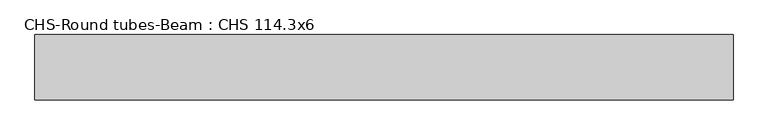
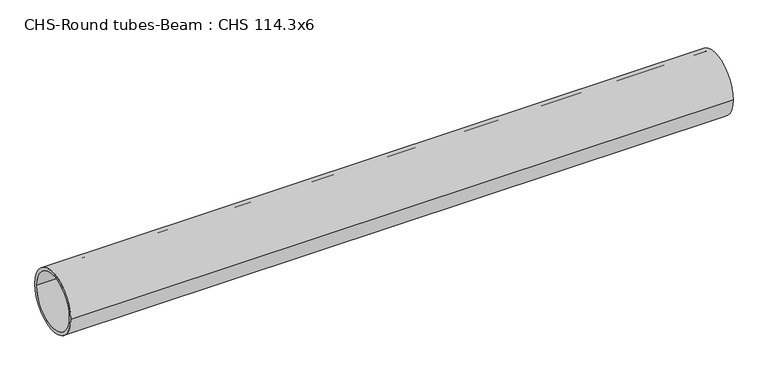
"""IFC4 building model written with IfcOpenShell, lengths in millimetres: beam geometry, CHS-Round tubes-Beam : CHS 114.3x6."""

import ifcopenshell
import ifcopenshell.guid

model = None  # the IFC model being written
_history = None  # IfcOwnerHistory: only IFC2X3 demands one
_inside = {}  # id of a spatial element -> (the spatial element, [elements in it])
_under = {}  # id of a project, library or spatial element -> (it, [spatial elements below it])
_declared = {}  # id of a project -> (the project, [libraries it declares])
_typed = {}  # id of a type object -> (the type object, [elements of that type])
_made_of = {}  # id of a material, layer set ... -> (it, [elements and type objects made of it])


def new_model(schema):
    """Start an empty IFC model of exactly this schema.

    Asked for "IFC4X3", IfcOpenShell would pick the latest addendum, in which some entities
    have other attributes; the version numbers below select the first issue.
    IFC2X3 requires an IfcOwnerHistory on every rooted entity: one is made here for all.
    """
    global model, _history
    if schema == "IFC4X3":
        model = ifcopenshell.file(schema_version=(4, 3, 0, 0))
    else:
        model = ifcopenshell.file(schema=schema)
    _inside.clear()
    _under.clear()
    _declared.clear()
    _typed.clear()
    _made_of.clear()
    _history = None
    if model.schema == "IFC2X3":
        org = make("IfcOrganization", Name="unknown")
        user = make(
            "IfcPersonAndOrganization",
            ThePerson=make("IfcPerson", FamilyName="unknown"),
            TheOrganization=org,
        )
        app = make(
            "IfcApplication",
            ApplicationDeveloper=org,
            Version="unknown",
            ApplicationFullName="unknown",
            ApplicationIdentifier="unknown",
        )
        _history = make(
            "IfcOwnerHistory",
            OwningUser=user,
            OwningApplication=app,
            ChangeAction="ADDED",
            CreationDate=0,
        )
    return model


def make(cls, **values):
    """One entity of the class cls with the attributes given. An attribute that is None is left unset."""
    return model.create_entity(
        cls, **{name: value for name, value in values.items() if value is not None}
    )


def rooted(cls, **values):
    """An entity with a GlobalId (a new one), such as an element, a storey or a relation."""
    return make(cls, GlobalId=ifcopenshell.guid.new(), OwnerHistory=_history, **values)


def si_unit(unit_type, name, prefix=None):
    """IfcSIUnit, for example si_unit("LENGTHUNIT", "METRE", prefix="MILLI")."""
    return make("IfcSIUnit", UnitType=unit_type, Prefix=prefix, Name=name)


def assignment(units):
    """IfcUnitAssignment: the units of a project."""
    return None if units is None else make("IfcUnitAssignment", Units=units)


def point(xyz):
    """IfcCartesianPoint."""
    return None if xyz is None else make("IfcCartesianPoint", Coordinates=xyz)


def direction(xyz):
    """IfcDirection."""
    return None if xyz is None else make("IfcDirection", DirectionRatios=xyz)


def frame(location, z_axis=None, x_axis=None):
    """IfcAxis2Placement3D, a coordinate frame: its origin and axes. An axis left out is left unset."""
    return make(
        "IfcAxis2Placement3D",
        Location=point(location),
        Axis=direction(z_axis),
        RefDirection=direction(x_axis),
    )


def frame_2d(location, x_axis=None):
    """IfcAxis2Placement2D, a coordinate frame in the plane: its origin and x axis."""
    return make(
        "IfcAxis2Placement2D", Location=point(location), RefDirection=direction(x_axis)
    )


def origin():
    """The frame at (0, 0, 0) with its axes left unset."""
    return frame((0.0, 0.0, 0.0))


def origin_2d():
    """The frame at (0, 0) in the plane with its x axis left unset."""
    return frame_2d((0.0, 0.0))


def place(relative_to, where):
    """IfcLocalPlacement: puts the frame where relative to a parent placement (None: the world)."""
    return make(
        "IfcLocalPlacement", PlacementRelTo=relative_to, RelativePlacement=where
    )


def context(
    kind, dimensions, precision=None, world=None, true_north=None, identifier=None
):
    """IfcGeometricRepresentationContext, for example the 3D "Model" context."""
    return make(
        "IfcGeometricRepresentationContext",
        ContextIdentifier=identifier,
        ContextType=kind,
        CoordinateSpaceDimension=dimensions,
        Precision=precision,
        WorldCoordinateSystem=world,
        TrueNorth=true_north,
    )


def project(units=None, contexts=None):
    """IfcProject with its units and contexts."""
    return rooted(
        "IfcProject",
        Name="project",
        RepresentationContexts=contexts,
        UnitsInContext=assignment(units),
    )


def spatial(cls, under=None, at=None, **own):
    """A site, building, storey or space (cls), placed at a placement, below another one or the project."""
    s = rooted(cls, ObjectPlacement=at, **own)
    if under is not None:
        _under.setdefault(under.id(), (under, []))[1].append(s)
    return s


def circle_curve(where, radius):
    """IfcCircle in the frame where."""
    return make("IfcCircle", Position=where, Radius=radius)


def trimmed(basis, trim1, trim2, sense, master):
    """IfcTrimmedCurve: the piece of a basis curve between two trims."""
    return make(
        "IfcTrimmedCurve",
        BasisCurve=basis,
        Trim1=trim1,
        Trim2=trim2,
        SenseAgreement=sense,
        MasterRepresentation=master,
    )


def segment(curve, same_sense, transition):
    """IfcCompositeCurveSegment."""
    return make(
        "IfcCompositeCurveSegment",
        Transition=transition,
        SameSense=same_sense,
        ParentCurve=curve,
    )


def composite_curve(segments, self_intersect=None):
    """IfcCompositeCurve: segments joined end to end."""
    return make("IfcCompositeCurve", Segments=segments, SelfIntersect=self_intersect)


def outline(outer, holes=None, kind="AREA"):
    """IfcArbitraryClosedProfileDef: a profile drawn as a closed curve; with holes, ...WithVoids."""
    if holes is None:
        return make("IfcArbitraryClosedProfileDef", ProfileType=kind, OuterCurve=outer)
    return make(
        "IfcArbitraryProfileDefWithVoids",
        ProfileType=kind,
        OuterCurve=outer,
        InnerCurves=holes,
    )


def extrude(swept, where, along, depth):
    """IfcExtrudedAreaSolid: the profile swept, set in the frame where, extruded along a direction by depth."""
    return make(
        "IfcExtrudedAreaSolid",
        SweptArea=swept,
        Position=where,
        ExtrudedDirection=direction(along),
        Depth=depth,
    )


def shape(context_of_items, identifier, shape_type, items):
    """IfcShapeRepresentation: the items that make up one representation, for example the "Body"."""
    return make(
        "IfcShapeRepresentation",
        ContextOfItems=context_of_items,
        RepresentationIdentifier=identifier,
        RepresentationType=shape_type,
        Items=items,
    )


def source(mapping_origin, context_of_items, identifier, shape_type, items):
    """IfcRepresentationMap: a shape defined once, which mapped items show again and again."""
    return make(
        "IfcRepresentationMap",
        MappingOrigin=mapping_origin,
        MappedRepresentation=shape(context_of_items, identifier, shape_type, items),
    )


def transform(
    local_origin,
    x_axis=None,
    y_axis=None,
    z_axis=None,
    scale=None,
    scale2=None,
    scale3=None,
    uniform=True,
):
    """IfcCartesianTransformationOperator3D, or its non-uniform kind. x_axis, y_axis, z_axis: its Axis1, 2, 3."""
    if uniform:
        return make(
            "IfcCartesianTransformationOperator3D",
            Axis1=direction(x_axis),
            Axis2=direction(y_axis),
            LocalOrigin=point(local_origin),
            Scale=scale,
            Axis3=direction(z_axis),
        )
    return make(
        "IfcCartesianTransformationOperator3DnonUniform",
        Axis1=direction(x_axis),
        Axis2=direction(y_axis),
        LocalOrigin=point(local_origin),
        Scale=scale,
        Axis3=direction(z_axis),
        Scale2=scale2,
        Scale3=scale3,
    )


def mapped(mapping_source, mapping_target):
    """IfcMappedItem: shows the shape of a source again, moved by a transform."""
    return make(
        "IfcMappedItem", MappingSource=mapping_source, MappingTarget=mapping_target
    )


def made_of(thing, what):
    """Note that an element or type object is made of a material, layer set ...; save() writes the relation."""
    if what is not None:
        _made_of.setdefault(what.id(), (what, []))[1].append(thing)
    return thing


def element(
    cls,
    number,
    at=None,
    inside=None,
    cuts=None,
    type_object=None,
    material=None,
    context=None,
    identifier="Body",
    shape_type=None,
    held_by="IfcProductDefinitionShape",
    body=None,
    shapes=None,
    **own,
):
    """One element of the class cls, such as IfcWall. Its Tag is "e" and its number.

    at: its placement. inside: the storey or other place that contains it. cuts: it is an
    opening in that element (IfcRelVoidsElement). A single representation is given by context,
    identifier, shape_type and body (its items); several are given by shapes. held_by: the class
    of the entity that holds the representations. save() writes the other relations.
    """
    e = rooted(cls, Tag="e%d" % number, ObjectPlacement=at, **own)
    if body is not None:
        shapes = [shape(context, identifier, shape_type, body)]
    if shapes is not None:
        e.Representation = make(held_by, Representations=shapes)
    if inside is not None:
        _inside.setdefault(inside.id(), (inside, []))[1].append(e)
    if cuts is not None:
        rooted(
            "IfcRelVoidsElement", RelatingBuildingElement=cuts, RelatedOpeningElement=e
        )
    if type_object is not None:
        _typed.setdefault(type_object.id(), (type_object, []))[1].append(e)
    return made_of(e, material)


def aggregate(whole, parts):
    """IfcRelAggregates: a whole, such as a stair, and the parts it consists of."""
    return rooted("IfcRelAggregates", RelatingObject=whole, RelatedObjects=parts)


def save(model, path):
    """Write the relations noted so far, then the file.

    IfcRelAggregates (storeys below a building ...), IfcRelContainedInSpatialStructure (elements
    in a storey), IfcRelDefinesByType, IfcRelAssociatesMaterial and IfcRelDeclares: one each for
    every whole, place, type object, material and project.
    """
    for whole, parts in _under.values():
        aggregate(whole, parts)
    for where, things in _inside.values():
        rooted(
            "IfcRelContainedInSpatialStructure",
            RelatedElements=things,
            RelatingStructure=where,
        )
    for kind, things in _typed.values():
        rooted("IfcRelDefinesByType", RelatedObjects=things, RelatingType=kind)
    for what, things in _made_of.values():
        rooted("IfcRelAssociatesMaterial", RelatedObjects=things, RelatingMaterial=what)
    for by, libraries in _declared.values():
        rooted("IfcRelDeclares", RelatingContext=by, RelatedDefinitions=libraries)
    model.write(path)


def chs_round_tubes_beam_chs_114_3x6_18e80ef6(model_context):
    return source(origin(), model_context, "Body", "SweptSolid", [
        extrude(outline(composite_curve([segment(trimmed(circle_curve(origin_2d(), 57.15), [point((57.15, 0.0))], [point((-57.15, 0.0))], False, "CARTESIAN"), True, "CONTINUOUS"), segment(trimmed(circle_curve(origin_2d(), 57.15), [point((-57.15, 0.0))], [point((57.15, 0.0))], False, "CARTESIAN"), True, "CONTINUOUS")], self_intersect=False), holes=[composite_curve([segment(trimmed(circle_curve(origin_2d(), 51.15), [point((51.15, 0.0))], [point((-51.15, 0.0))], True, "CARTESIAN"), True, "CONTINUOUS"), segment(trimmed(circle_curve(origin_2d(), 51.15), [point((-51.15, 0.0))], [point((51.15, 0.0))], True, "CARTESIAN"), True, "CONTINUOUS")], self_intersect=False)]), frame((-491.1584874, 0.0, 0.0), z_axis=(1.0, 0.0, 0.0), x_axis=(0.0, 1.0, 0.0)), (0.0, 0.0, 1.0), 1218.3754809),
    ])


if __name__ == "__main__":
    model = new_model("IFC4")
    model_context = context("Model", 3, world=origin())
    ifc_project = project(units=[si_unit("LENGTHUNIT", "METRE", prefix="MILLI")], contexts=[model_context])
    site = spatial("IfcSite", under=ifc_project)
    building = spatial("IfcBuilding", under=site)
    placement = place(None, origin())
    chs_round_tubes_beam_chs_114_3x6_shape = chs_round_tubes_beam_chs_114_3x6_18e80ef6(model_context)
    element("IfcBeam", 1, ObjectType="CHS-Round tubes-Beam : CHS 114.3x6", at=placement, inside=building, context=model_context, shape_type="MappedRepresentation", body=[
        mapped(chs_round_tubes_beam_chs_114_3x6_shape, transform((0.0, 0.0, 0.0), x_axis=(1.0, 0.0, 0.0), y_axis=(0.0, 1.0, 0.0), z_axis=(0.0, 0.0, 1.0))),
    ])
    save(model, "model.ifc")
